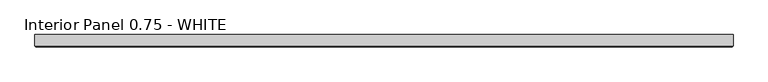
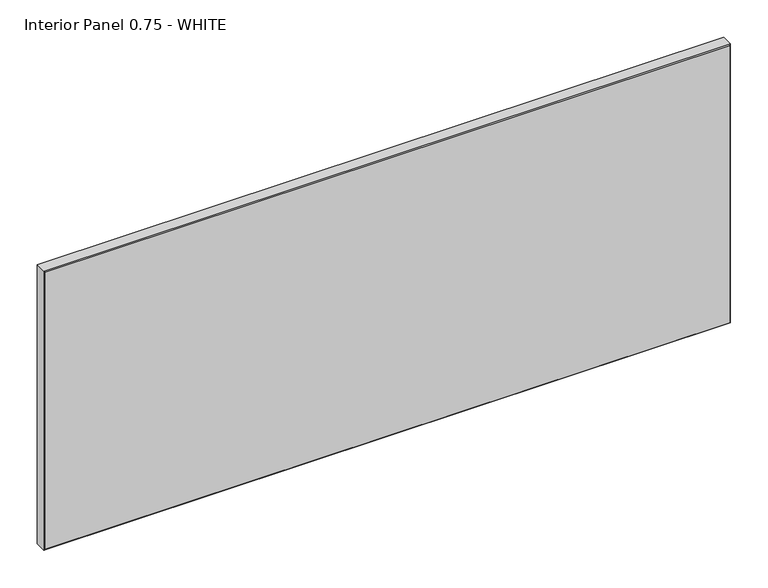
"""IFC4 building model written with IfcOpenShell, lengths in millimetres: proxy geometry, Interior Panel 0.75 - WHITE."""

import ifcopenshell
import ifcopenshell.guid

model = None  # the IFC model being written
_history = None  # IfcOwnerHistory: only IFC2X3 demands one
_inside = {}  # id of a spatial element -> (the spatial element, [elements in it])
_under = {}  # id of a project, library or spatial element -> (it, [spatial elements below it])
_declared = {}  # id of a project -> (the project, [libraries it declares])
_typed = {}  # id of a type object -> (the type object, [elements of that type])
_made_of = {}  # id of a material, layer set ... -> (it, [elements and type objects made of it])


def new_model(schema):
    """Start an empty IFC model of exactly this schema.

    Asked for "IFC4X3", IfcOpenShell would pick the latest addendum, in which some entities
    have other attributes; the version numbers below select the first issue.
    IFC2X3 requires an IfcOwnerHistory on every rooted entity: one is made here for all.
    """
    global model, _history
    if schema == "IFC4X3":
        model = ifcopenshell.file(schema_version=(4, 3, 0, 0))
    else:
        model = ifcopenshell.file(schema=schema)
    _inside.clear()
    _under.clear()
    _declared.clear()
    _typed.clear()
    _made_of.clear()
    _history = None
    if model.schema == "IFC2X3":
        org = make("IfcOrganization", Name="unknown")
        user = make(
            "IfcPersonAndOrganization",
            ThePerson=make("IfcPerson", FamilyName="unknown"),
            TheOrganization=org,
        )
        app = make(
            "IfcApplication",
            ApplicationDeveloper=org,
            Version="unknown",
            ApplicationFullName="unknown",
            ApplicationIdentifier="unknown",
        )
        _history = make(
            "IfcOwnerHistory",
            OwningUser=user,
            OwningApplication=app,
            ChangeAction="ADDED",
            CreationDate=0,
        )
    return model


def make(cls, **values):
    """One entity of the class cls with the attributes given. An attribute that is None is left unset."""
    return model.create_entity(
        cls, **{name: value for name, value in values.items() if value is not None}
    )


def rooted(cls, **values):
    """An entity with a GlobalId (a new one), such as an element, a storey or a relation."""
    return make(cls, GlobalId=ifcopenshell.guid.new(), OwnerHistory=_history, **values)


def si_unit(unit_type, name, prefix=None):
    """IfcSIUnit, for example si_unit("LENGTHUNIT", "METRE", prefix="MILLI")."""
    return make("IfcSIUnit", UnitType=unit_type, Prefix=prefix, Name=name)


def assignment(units):
    """IfcUnitAssignment: the units of a project."""
    return None if units is None else make("IfcUnitAssignment", Units=units)


def point(xyz):
    """IfcCartesianPoint."""
    return None if xyz is None else make("IfcCartesianPoint", Coordinates=xyz)


def direction(xyz):
    """IfcDirection."""
    return None if xyz is None else make("IfcDirection", DirectionRatios=xyz)


def frame(location, z_axis=None, x_axis=None):
    """IfcAxis2Placement3D, a coordinate frame: its origin and axes. An axis left out is left unset."""
    return make(
        "IfcAxis2Placement3D",
        Location=point(location),
        Axis=direction(z_axis),
        RefDirection=direction(x_axis),
    )


def origin():
    """The frame at (0, 0, 0) with its axes left unset."""
    return frame((0.0, 0.0, 0.0))


def place(relative_to, where):
    """IfcLocalPlacement: puts the frame where relative to a parent placement (None: the world)."""
    return make(
        "IfcLocalPlacement", PlacementRelTo=relative_to, RelativePlacement=where
    )


def context(
    kind, dimensions, precision=None, world=None, true_north=None, identifier=None
):
    """IfcGeometricRepresentationContext, for example the 3D "Model" context."""
    return make(
        "IfcGeometricRepresentationContext",
        ContextIdentifier=identifier,
        ContextType=kind,
        CoordinateSpaceDimension=dimensions,
        Precision=precision,
        WorldCoordinateSystem=world,
        TrueNorth=true_north,
    )


def project(units=None, contexts=None):
    """IfcProject with its units and contexts."""
    return rooted(
        "IfcProject",
        Name="project",
        RepresentationContexts=contexts,
        UnitsInContext=assignment(units),
    )


def spatial(cls, under=None, at=None, **own):
    """A site, building, storey or space (cls), placed at a placement, below another one or the project."""
    s = rooted(cls, ObjectPlacement=at, **own)
    if under is not None:
        _under.setdefault(under.id(), (under, []))[1].append(s)
    return s


def faces_of(points, faces, orient=None, outer=None):
    """IfcFace entities. A face is a list of loops; a loop is a list of indices into points, from 0.

    orient and outer hold one flag for each loop. By default every Orientation is true, the
    first loop of a face is its IfcFaceOuterBound and the others are IfcFaceBound.
    """
    made = []
    for i, loops in enumerate(faces):
        bounds = []
        for j, loop in enumerate(loops):
            is_outer = j == 0 if outer is None else outer[i][j]
            bounds.append(
                make(
                    "IfcFaceOuterBound" if is_outer else "IfcFaceBound",
                    Bound=make("IfcPolyLoop", Polygon=[points[k] for k in loop]),
                    Orientation=True if orient is None else orient[i][j],
                )
            )
        made.append(make("IfcFace", Bounds=bounds))
    return made


def faceted_brep(points, faces, orient=None, outer=None, voids=None):
    """IfcFacetedBrep: a solid bounded by flat faces; with voids (closed shells), ...WithVoids."""
    shared = [point(p) for p in points]
    hull = make("IfcClosedShell", CfsFaces=faces_of(shared, faces, orient, outer))
    if voids is None:
        return make("IfcFacetedBrep", Outer=hull)
    return make(
        "IfcFacetedBrepWithVoids",
        Outer=hull,
        Voids=[
            make(cls, CfsFaces=faces_of(shared, fs, o, b)) for cls, fs, o, b in voids
        ],
    )


def shape(context_of_items, identifier, shape_type, items):
    """IfcShapeRepresentation: the items that make up one representation, for example the "Body"."""
    return make(
        "IfcShapeRepresentation",
        ContextOfItems=context_of_items,
        RepresentationIdentifier=identifier,
        RepresentationType=shape_type,
        Items=items,
    )


def source(mapping_origin, context_of_items, identifier, shape_type, items):
    """IfcRepresentationMap: a shape defined once, which mapped items show again and again."""
    return make(
        "IfcRepresentationMap",
        MappingOrigin=mapping_origin,
        MappedRepresentation=shape(context_of_items, identifier, shape_type, items),
    )


def transform(
    local_origin,
    x_axis=None,
    y_axis=None,
    z_axis=None,
    scale=None,
    scale2=None,
    scale3=None,
    uniform=True,
):
    """IfcCartesianTransformationOperator3D, or its non-uniform kind. x_axis, y_axis, z_axis: its Axis1, 2, 3."""
    if uniform:
        return make(
            "IfcCartesianTransformationOperator3D",
            Axis1=direction(x_axis),
            Axis2=direction(y_axis),
            LocalOrigin=point(local_origin),
            Scale=scale,
            Axis3=direction(z_axis),
        )
    return make(
        "IfcCartesianTransformationOperator3DnonUniform",
        Axis1=direction(x_axis),
        Axis2=direction(y_axis),
        LocalOrigin=point(local_origin),
        Scale=scale,
        Axis3=direction(z_axis),
        Scale2=scale2,
        Scale3=scale3,
    )


def mapped(mapping_source, mapping_target):
    """IfcMappedItem: shows the shape of a source again, moved by a transform."""
    return make(
        "IfcMappedItem", MappingSource=mapping_source, MappingTarget=mapping_target
    )


def made_of(thing, what):
    """Note that an element or type object is made of a material, layer set ...; save() writes the relation."""
    if what is not None:
        _made_of.setdefault(what.id(), (what, []))[1].append(thing)
    return thing


def element(
    cls,
    number,
    at=None,
    inside=None,
    cuts=None,
    type_object=None,
    material=None,
    context=None,
    identifier="Body",
    shape_type=None,
    held_by="IfcProductDefinitionShape",
    body=None,
    shapes=None,
    **own,
):
    """One element of the class cls, such as IfcWall. Its Tag is "e" and its number.

    at: its placement. inside: the storey or other place that contains it. cuts: it is an
    opening in that element (IfcRelVoidsElement). A single representation is given by context,
    identifier, shape_type and body (its items); several are given by shapes. held_by: the class
    of the entity that holds the representations. save() writes the other relations.
    """
    e = rooted(cls, Tag="e%d" % number, ObjectPlacement=at, **own)
    if body is not None:
        shapes = [shape(context, identifier, shape_type, body)]
    if shapes is not None:
        e.Representation = make(held_by, Representations=shapes)
    if inside is not None:
        _inside.setdefault(inside.id(), (inside, []))[1].append(e)
    if cuts is not None:
        rooted(
            "IfcRelVoidsElement", RelatingBuildingElement=cuts, RelatedOpeningElement=e
        )
    if type_object is not None:
        _typed.setdefault(type_object.id(), (type_object, []))[1].append(e)
    return made_of(e, material)


def aggregate(whole, parts):
    """IfcRelAggregates: a whole, such as a stair, and the parts it consists of."""
    return rooted("IfcRelAggregates", RelatingObject=whole, RelatedObjects=parts)


def save(model, path):
    """Write the relations noted so far, then the file.

    IfcRelAggregates (storeys below a building ...), IfcRelContainedInSpatialStructure (elements
    in a storey), IfcRelDefinesByType, IfcRelAssociatesMaterial and IfcRelDeclares: one each for
    every whole, place, type object, material and project.
    """
    for whole, parts in _under.values():
        aggregate(whole, parts)
    for where, things in _inside.values():
        rooted(
            "IfcRelContainedInSpatialStructure",
            RelatedElements=things,
            RelatingStructure=where,
        )
    for kind, things in _typed.values():
        rooted("IfcRelDefinesByType", RelatedObjects=things, RelatingType=kind)
    for what, things in _made_of.values():
        rooted("IfcRelAssociatesMaterial", RelatedObjects=things, RelatingMaterial=what)
    for by, libraries in _declared.values():
        rooted("IfcRelDeclares", RelatingContext=by, RelatedDefinitions=libraries)
    model.write(path)


def interior_panel_0_75_white_01478322(model_context):
    return source(origin(), model_context, "Body", "Brep", [
        faceted_brep([(990.6, 3.175, 457.2), (-73.025, 3.175, 457.2), (-73.025, -14.2875, 457.2), (990.6, -14.2875, 457.2), (990.6, 3.175, 0.0), (990.6, -14.2875, 0.0), (-73.025, -14.2875, 0.0), (-73.025, 3.175, 0.0), (-71.4375, -15.875, 455.6125), (-71.4375, -15.875, 1.5875), (989.0125, -15.875, 1.5875), (989.0125, -15.875, 455.6125)], [[[0, 1, 2, 3]], [[4, 5, 6, 7]], [[1, 0, 4, 7]], [[2, 1, 7, 6]], [[8, 9, 10, 11]], [[0, 3, 5, 4]], [[2, 6, 9, 8]], [[5, 3, 11, 10]], [[3, 2, 8, 11]], [[6, 5, 10, 9]]]),
    ])


if __name__ == "__main__":
    model = new_model("IFC4")
    model_context = context("Model", 3, world=origin())
    ifc_project = project(units=[si_unit("LENGTHUNIT", "METRE", prefix="MILLI")], contexts=[model_context])
    site = spatial("IfcSite", under=ifc_project)
    building = spatial("IfcBuilding", under=site)
    placement = place(None, origin())
    interior_panel_0_75_white_shape = interior_panel_0_75_white_01478322(model_context)
    element("IfcBuildingElementProxy", 1, Name="Interior Panel 0.75 - WHITE", ObjectType="Interior Panel 0.75 - WHITE", at=placement, inside=building, context=model_context, shape_type="MappedRepresentation", body=[
        mapped(interior_panel_0_75_white_shape, transform((0.0, 0.0, 0.0), x_axis=(1.0, 0.0, 0.0), y_axis=(0.0, 1.0, 0.0), z_axis=(0.0, 0.0, 1.0))),
    ])
    save(model, "model.ifc")
